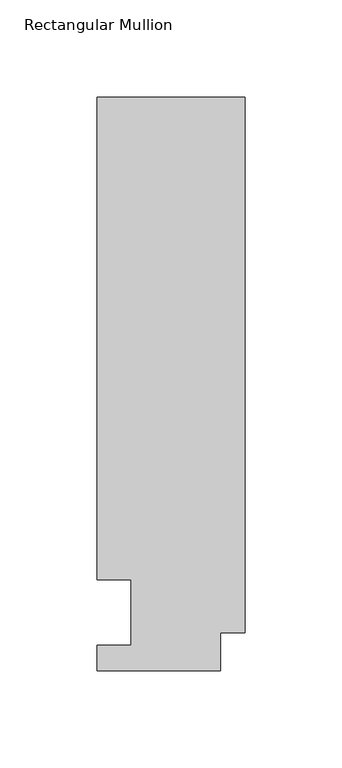
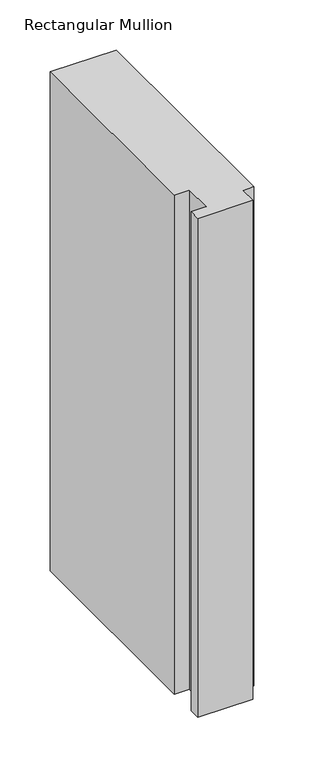
"""IFC4 building model written with IfcOpenShell, lengths in millimetres: member geometry, Rectangular Mullion."""

from ifc_helpers import new_model, si_unit, frame, origin, place, context, project, spatial, polyline, outline, extrude, source, transform, mapped, element, save


def rectangular_mullion_76edc86b(model_context):
    return source(origin(), model_context, "Body", "SweptSolid", [
        extrude(outline(polyline([(-76.2, 13.224358), (-58.7375002, 13.224358), (-58.7375002, 46.7447302), (-76.2000001, 46.7447302), (-76.2000001, 295.1821313), (0.0, 295.1821313), (0.0, 19.5667313), (-12.7, 19.5667313), (-12.7, 0.041758), (-76.2, 0.041758), (-76.2, 13.224358)])), frame((0.0, 0.0, -609.6), z_axis=(0.0, 0.0, 1.0), x_axis=(1.0, 0.0, 0.0)), (0.0, 0.0, 1.0), 609.6),
    ])


if __name__ == "__main__":
    model = new_model("IFC4")
    model_context = context("Model", 3, world=origin())
    ifc_project = project(units=[si_unit("LENGTHUNIT", "METRE", prefix="MILLI")], contexts=[model_context])
    site = spatial("IfcSite", under=ifc_project)
    building = spatial("IfcBuilding", under=site)
    placement = place(None, origin())
    rectangular_mullion_shape = rectangular_mullion_76edc86b(model_context)
    element("IfcMember", 1, ObjectType="Rectangular Mullion", at=placement, inside=building, context=model_context, shape_type="MappedRepresentation", body=[
        mapped(rectangular_mullion_shape, transform((0.0, 0.0, 0.0), x_axis=(1.0, 0.0, 0.0), y_axis=(0.0, 1.0, 0.0), z_axis=(0.0, 0.0, 1.0))),
    ])
    save(model, "model.ifc")
